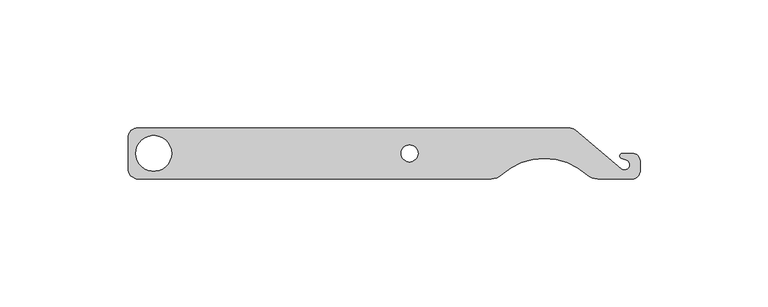
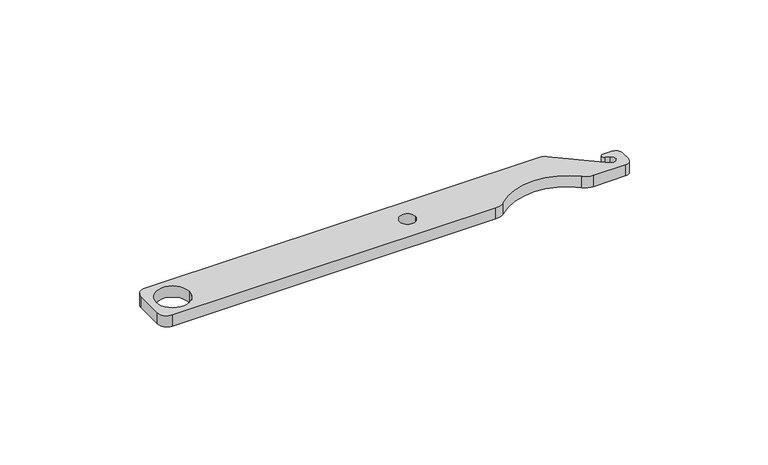
"""IFC4 building model written with IfcOpenShell, lengths in millimetres: proxy geometry."""

from ifc_helpers import new_model, si_unit, point, frame_2d, origin, origin_with_axes, origin_2d, place, context, project, spatial, polyline, circle_curve, trimmed, segment, composite_curve, outline, extrude, source, transform, mapped, element, save


def generic_models_ac23a983(model_context):
    return source(origin(), model_context, "Body", "SweptSolid", [
        extrude(outline(composite_curve([segment(trimmed(circle_curve(frame_2d((173.4148819, -4.0)), 6.0), [point((173.4148819, -10.0))], [point((169.3920542, -8.4516129))], False, "CARTESIAN"), True, "CONTINUOUS"), segment(trimmed(circle_curve(frame_2d((152.6302722, -27.0)), 25.0), [point((169.3920542, -8.4516129))], [point((135.8684902, -8.4516129))], True, "CARTESIAN"), True, "CONTINUOUS"), segment(trimmed(circle_curve(frame_2d((131.8456625, -4.0)), 6.0), [point((135.8684902, -8.4516129))], [point((131.8456625, -10.0))], False, "CARTESIAN"), True, "CONTINUOUS"), segment(polyline([(131.8456625, -10.0), (-6.0, -10.0)]), True, "CONTINUOUS"), segment(trimmed(circle_curve(frame_2d((-6.0, -6.0)), 4.0), [point((-6.0, -10.0))], [point((-10.0, -6.0))], False, "CARTESIAN"), True, "CONTINUOUS"), segment(polyline([(-10.0, -6.0), (-10.0, 6.0)]), True, "CONTINUOUS"), segment(trimmed(circle_curve(frame_2d((-6.0, 6.0)), 4.0), [point((-10.0, 6.0))], [point((-6.0, 10.0))], False, "CARTESIAN"), True, "CONTINUOUS"), segment(polyline([(-6.0, 10.0), (162.1522443, 10.0)]), True, "CONTINUOUS"), segment(trimmed(circle_curve(frame_2d((162.1522443, 6.0)), 4.0), [point((162.1522443, 10.0))], [point((164.7233948, 9.0641778))], False, "CARTESIAN"), True, "CONTINUOUS"), segment(polyline([(164.7233948, 9.0641778), (182.7144248, -6.0320889)]), True, "CONTINUOUS"), segment(trimmed(circle_curve(frame_2d((184.0, -4.5)), 2.0), [point((182.7144248, -6.0320889))], [point((184.6840403, -2.6206148))], True, "CARTESIAN"), True, "CONTINUOUS"), segment(polyline([(184.6840403, -2.6206148), (182.8132221, -1.9396926)]), True, "CONTINUOUS"), segment(trimmed(circle_curve(frame_2d((183.1552422, -1.0)), 1.0), [point((182.8132221, -1.9396926))], [point((183.1552422, 0.0))], False, "CARTESIAN"), True, "CONTINUOUS"), segment(polyline([(183.1552422, 0.0), (187.0, 0.0)]), True, "CONTINUOUS"), segment(trimmed(circle_curve(frame_2d((187.0, -3.0)), 3.0), [point((187.0, 0.0))], [point((190.0, -3.0))], False, "CARTESIAN"), True, "CONTINUOUS"), segment(polyline([(190.0, -3.0), (190.0, -7.0)]), True, "CONTINUOUS"), segment(trimmed(circle_curve(frame_2d((187.0, -7.0)), 3.0), [point((190.0, -7.0))], [point((187.0, -10.0))], False, "CARTESIAN"), True, "CONTINUOUS"), segment(polyline([(187.0, -10.0), (173.4148819, -10.0)]), True, "CONTINUOUS")], self_intersect=False), holes=[composite_curve([segment(trimmed(circle_curve(origin_2d(), 7.0), [point((7.0, 0.0))], [point((-7.0, 0.0))], True, "CARTESIAN"), True, "CONTINUOUS"), segment(trimmed(circle_curve(origin_2d(), 7.0), [point((-7.0, 0.0))], [point((7.0, 0.0))], True, "CARTESIAN"), True, "CONTINUOUS")], self_intersect=False), composite_curve([segment(trimmed(circle_curve(frame_2d((100.0, 0.0)), 3.3235), [point((103.3235, 0.0))], [point((96.6765, 0.0))], True, "CARTESIAN"), True, "CONTINUOUS"), segment(trimmed(circle_curve(frame_2d((100.0, 0.0)), 3.3235), [point((96.6765, 0.0))], [point((103.3235, 0.0))], True, "CARTESIAN"), True, "CONTINUOUS")], self_intersect=False)]), origin_with_axes(), (0.0, 0.0, 1.0), 5.0),
    ])


if __name__ == "__main__":
    model = new_model("IFC4")
    model_context = context("Model", 3, world=origin())
    ifc_project = project(units=[si_unit("LENGTHUNIT", "METRE", prefix="MILLI")], contexts=[model_context])
    site = spatial("IfcSite", under=ifc_project)
    building = spatial("IfcBuilding", under=site)
    placement = place(None, origin())
    generic_models_shape = generic_models_ac23a983(model_context)
    element("IfcBuildingElementProxy", 1, Name="Generic Models", at=placement, inside=building, context=model_context, shape_type="MappedRepresentation", body=[
        mapped(generic_models_shape, transform((0.0, 0.0, 0.0), x_axis=(1.0, 0.0, 0.0), y_axis=(0.0, 1.0, 0.0), z_axis=(0.0, 0.0, 1.0))),
    ])
    save(model, "model.ifc")
